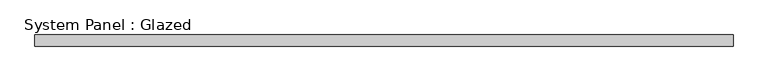
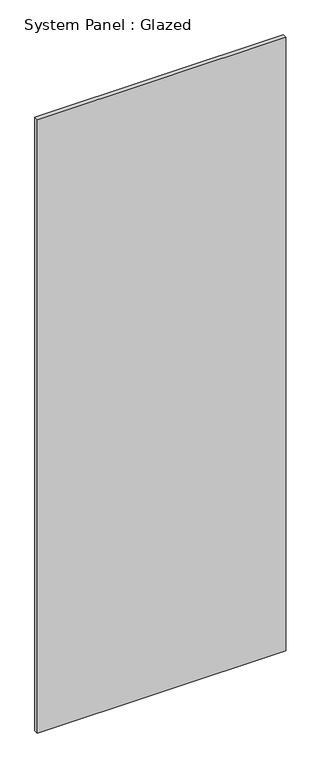
"""IFC4 building model written with IfcOpenShell, lengths in millimetres: plate geometry, System Panel : Glazed."""

import ifcopenshell
import ifcopenshell.guid

model = None  # the IFC model being written
_history = None  # IfcOwnerHistory: only IFC2X3 demands one
_inside = {}  # id of a spatial element -> (the spatial element, [elements in it])
_under = {}  # id of a project, library or spatial element -> (it, [spatial elements below it])
_declared = {}  # id of a project -> (the project, [libraries it declares])
_typed = {}  # id of a type object -> (the type object, [elements of that type])
_made_of = {}  # id of a material, layer set ... -> (it, [elements and type objects made of it])


def new_model(schema):
    """Start an empty IFC model of exactly this schema.

    Asked for "IFC4X3", IfcOpenShell would pick the latest addendum, in which some entities
    have other attributes; the version numbers below select the first issue.
    IFC2X3 requires an IfcOwnerHistory on every rooted entity: one is made here for all.
    """
    global model, _history
    if schema == "IFC4X3":
        model = ifcopenshell.file(schema_version=(4, 3, 0, 0))
    else:
        model = ifcopenshell.file(schema=schema)
    _inside.clear()
    _under.clear()
    _declared.clear()
    _typed.clear()
    _made_of.clear()
    _history = None
    if model.schema == "IFC2X3":
        org = make("IfcOrganization", Name="unknown")
        user = make(
            "IfcPersonAndOrganization",
            ThePerson=make("IfcPerson", FamilyName="unknown"),
            TheOrganization=org,
        )
        app = make(
            "IfcApplication",
            ApplicationDeveloper=org,
            Version="unknown",
            ApplicationFullName="unknown",
            ApplicationIdentifier="unknown",
        )
        _history = make(
            "IfcOwnerHistory",
            OwningUser=user,
            OwningApplication=app,
            ChangeAction="ADDED",
            CreationDate=0,
        )
    return model


def make(cls, **values):
    """One entity of the class cls with the attributes given. An attribute that is None is left unset."""
    return model.create_entity(
        cls, **{name: value for name, value in values.items() if value is not None}
    )


def rooted(cls, **values):
    """An entity with a GlobalId (a new one), such as an element, a storey or a relation."""
    return make(cls, GlobalId=ifcopenshell.guid.new(), OwnerHistory=_history, **values)


def si_unit(unit_type, name, prefix=None):
    """IfcSIUnit, for example si_unit("LENGTHUNIT", "METRE", prefix="MILLI")."""
    return make("IfcSIUnit", UnitType=unit_type, Prefix=prefix, Name=name)


def assignment(units):
    """IfcUnitAssignment: the units of a project."""
    return None if units is None else make("IfcUnitAssignment", Units=units)


def point(xyz):
    """IfcCartesianPoint."""
    return None if xyz is None else make("IfcCartesianPoint", Coordinates=xyz)


def direction(xyz):
    """IfcDirection."""
    return None if xyz is None else make("IfcDirection", DirectionRatios=xyz)


def frame(location, z_axis=None, x_axis=None):
    """IfcAxis2Placement3D, a coordinate frame: its origin and axes. An axis left out is left unset."""
    return make(
        "IfcAxis2Placement3D",
        Location=point(location),
        Axis=direction(z_axis),
        RefDirection=direction(x_axis),
    )


def origin():
    """The frame at (0, 0, 0) with its axes left unset."""
    return frame((0.0, 0.0, 0.0))


def origin_with_axes():
    """The frame at (0, 0, 0) with the z axis (0, 0, 1) and the x axis (1, 0, 0) written out."""
    return frame((0.0, 0.0, 0.0), z_axis=(0.0, 0.0, 1.0), x_axis=(1.0, 0.0, 0.0))


def place(relative_to, where):
    """IfcLocalPlacement: puts the frame where relative to a parent placement (None: the world)."""
    return make(
        "IfcLocalPlacement", PlacementRelTo=relative_to, RelativePlacement=where
    )


def context(
    kind, dimensions, precision=None, world=None, true_north=None, identifier=None
):
    """IfcGeometricRepresentationContext, for example the 3D "Model" context."""
    return make(
        "IfcGeometricRepresentationContext",
        ContextIdentifier=identifier,
        ContextType=kind,
        CoordinateSpaceDimension=dimensions,
        Precision=precision,
        WorldCoordinateSystem=world,
        TrueNorth=true_north,
    )


def project(units=None, contexts=None):
    """IfcProject with its units and contexts."""
    return rooted(
        "IfcProject",
        Name="project",
        RepresentationContexts=contexts,
        UnitsInContext=assignment(units),
    )


def spatial(cls, under=None, at=None, **own):
    """A site, building, storey or space (cls), placed at a placement, below another one or the project."""
    s = rooted(cls, ObjectPlacement=at, **own)
    if under is not None:
        _under.setdefault(under.id(), (under, []))[1].append(s)
    return s


def polyline(points):
    """IfcPolyline through the points."""
    return make("IfcPolyline", Points=[point(p) for p in points])


def outline(outer, holes=None, kind="AREA"):
    """IfcArbitraryClosedProfileDef: a profile drawn as a closed curve; with holes, ...WithVoids."""
    if holes is None:
        return make("IfcArbitraryClosedProfileDef", ProfileType=kind, OuterCurve=outer)
    return make(
        "IfcArbitraryProfileDefWithVoids",
        ProfileType=kind,
        OuterCurve=outer,
        InnerCurves=holes,
    )


def extrude(swept, where, along, depth):
    """IfcExtrudedAreaSolid: the profile swept, set in the frame where, extruded along a direction by depth."""
    return make(
        "IfcExtrudedAreaSolid",
        SweptArea=swept,
        Position=where,
        ExtrudedDirection=direction(along),
        Depth=depth,
    )


def shape(context_of_items, identifier, shape_type, items):
    """IfcShapeRepresentation: the items that make up one representation, for example the "Body"."""
    return make(
        "IfcShapeRepresentation",
        ContextOfItems=context_of_items,
        RepresentationIdentifier=identifier,
        RepresentationType=shape_type,
        Items=items,
    )


def source(mapping_origin, context_of_items, identifier, shape_type, items):
    """IfcRepresentationMap: a shape defined once, which mapped items show again and again."""
    return make(
        "IfcRepresentationMap",
        MappingOrigin=mapping_origin,
        MappedRepresentation=shape(context_of_items, identifier, shape_type, items),
    )


def transform(
    local_origin,
    x_axis=None,
    y_axis=None,
    z_axis=None,
    scale=None,
    scale2=None,
    scale3=None,
    uniform=True,
):
    """IfcCartesianTransformationOperator3D, or its non-uniform kind. x_axis, y_axis, z_axis: its Axis1, 2, 3."""
    if uniform:
        return make(
            "IfcCartesianTransformationOperator3D",
            Axis1=direction(x_axis),
            Axis2=direction(y_axis),
            LocalOrigin=point(local_origin),
            Scale=scale,
            Axis3=direction(z_axis),
        )
    return make(
        "IfcCartesianTransformationOperator3DnonUniform",
        Axis1=direction(x_axis),
        Axis2=direction(y_axis),
        LocalOrigin=point(local_origin),
        Scale=scale,
        Axis3=direction(z_axis),
        Scale2=scale2,
        Scale3=scale3,
    )


def mapped(mapping_source, mapping_target):
    """IfcMappedItem: shows the shape of a source again, moved by a transform."""
    return make(
        "IfcMappedItem", MappingSource=mapping_source, MappingTarget=mapping_target
    )


def made_of(thing, what):
    """Note that an element or type object is made of a material, layer set ...; save() writes the relation."""
    if what is not None:
        _made_of.setdefault(what.id(), (what, []))[1].append(thing)
    return thing


def element(
    cls,
    number,
    at=None,
    inside=None,
    cuts=None,
    type_object=None,
    material=None,
    context=None,
    identifier="Body",
    shape_type=None,
    held_by="IfcProductDefinitionShape",
    body=None,
    shapes=None,
    **own,
):
    """One element of the class cls, such as IfcWall. Its Tag is "e" and its number.

    at: its placement. inside: the storey or other place that contains it. cuts: it is an
    opening in that element (IfcRelVoidsElement). A single representation is given by context,
    identifier, shape_type and body (its items); several are given by shapes. held_by: the class
    of the entity that holds the representations. save() writes the other relations.
    """
    e = rooted(cls, Tag="e%d" % number, ObjectPlacement=at, **own)
    if body is not None:
        shapes = [shape(context, identifier, shape_type, body)]
    if shapes is not None:
        e.Representation = make(held_by, Representations=shapes)
    if inside is not None:
        _inside.setdefault(inside.id(), (inside, []))[1].append(e)
    if cuts is not None:
        rooted(
            "IfcRelVoidsElement", RelatingBuildingElement=cuts, RelatedOpeningElement=e
        )
    if type_object is not None:
        _typed.setdefault(type_object.id(), (type_object, []))[1].append(e)
    return made_of(e, material)


def aggregate(whole, parts):
    """IfcRelAggregates: a whole, such as a stair, and the parts it consists of."""
    return rooted("IfcRelAggregates", RelatingObject=whole, RelatedObjects=parts)


def save(model, path):
    """Write the relations noted so far, then the file.

    IfcRelAggregates (storeys below a building ...), IfcRelContainedInSpatialStructure (elements
    in a storey), IfcRelDefinesByType, IfcRelAssociatesMaterial and IfcRelDeclares: one each for
    every whole, place, type object, material and project.
    """
    for whole, parts in _under.values():
        aggregate(whole, parts)
    for where, things in _inside.values():
        rooted(
            "IfcRelContainedInSpatialStructure",
            RelatedElements=things,
            RelatingStructure=where,
        )
    for kind, things in _typed.values():
        rooted("IfcRelDefinesByType", RelatedObjects=things, RelatingType=kind)
    for what, things in _made_of.values():
        rooted("IfcRelAssociatesMaterial", RelatedObjects=things, RelatingMaterial=what)
    for by, libraries in _declared.values():
        rooted("IfcRelDeclares", RelatingContext=by, RelatedDefinitions=libraries)
    model.write(path)


def system_panel_glazed_45f63f9b(model_context):
    return source(origin(), model_context, "Body", "SweptSolid", [
        extrude(outline(polyline([(756.7501169, 24.5), (-756.7501169, 24.5), (-756.7501169, 49.5), (756.7501169, 49.5), (756.7501169, 24.5)])), origin_with_axes(), (0.0, 0.0, 1.0), 3950.0),
    ])


if __name__ == "__main__":
    model = new_model("IFC4")
    model_context = context("Model", 3, world=origin())
    ifc_project = project(units=[si_unit("LENGTHUNIT", "METRE", prefix="MILLI")], contexts=[model_context])
    site = spatial("IfcSite", under=ifc_project)
    building = spatial("IfcBuilding", under=site)
    placement = place(None, origin())
    system_panel_glazed_shape = system_panel_glazed_45f63f9b(model_context)
    element("IfcPlate", 1, ObjectType="System Panel : Glazed", at=placement, inside=building, context=model_context, shape_type="MappedRepresentation", body=[
        mapped(system_panel_glazed_shape, transform((0.0, 0.0, 0.0), x_axis=(1.0, 0.0, 0.0), y_axis=(0.0, 1.0, 0.0), z_axis=(0.0, 0.0, 1.0))),
    ])
    save(model, "model.ifc")
